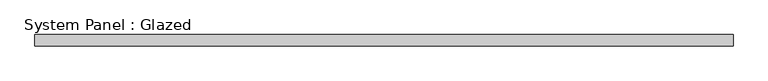
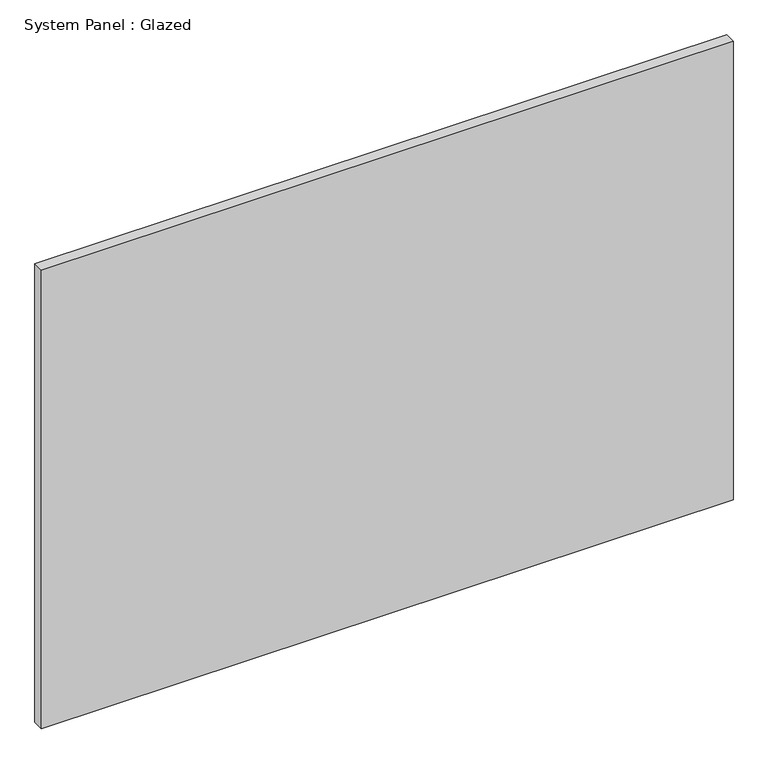
"""IFC4 building model written with IfcOpenShell, lengths in millimetres: plate geometry, System Panel : Glazed."""

from ifc_helpers import new_model, si_unit, origin, origin_with_axes, place, context, project, spatial, polyline, outline, extrude, source, transform, mapped, element, save


def system_panel_glazed_8d153a56(model_context):
    return source(origin(), model_context, "Body", "SweptSolid", [
        extrude(outline(polyline([(781.562846, 24.5), (-781.562846, 24.5), (-781.562846, 49.5), (781.562846, 49.5), (781.562846, 24.5)])), origin_with_axes(), (0.0, 0.0, 1.0), 1095.0),
    ])


if __name__ == "__main__":
    model = new_model("IFC4")
    model_context = context("Model", 3, world=origin())
    ifc_project = project(units=[si_unit("LENGTHUNIT", "METRE", prefix="MILLI")], contexts=[model_context])
    site = spatial("IfcSite", under=ifc_project)
    building = spatial("IfcBuilding", under=site)
    placement = place(None, origin())
    system_panel_glazed_shape = system_panel_glazed_8d153a56(model_context)
    element("IfcPlate", 1, ObjectType="System Panel : Glazed", at=placement, inside=building, context=model_context, shape_type="MappedRepresentation", body=[
        mapped(system_panel_glazed_shape, transform((0.0, 0.0, 0.0), x_axis=(1.0, 0.0, 0.0), y_axis=(0.0, 1.0, 0.0), z_axis=(0.0, 0.0, 1.0))),
    ])
    save(model, "model.ifc")
